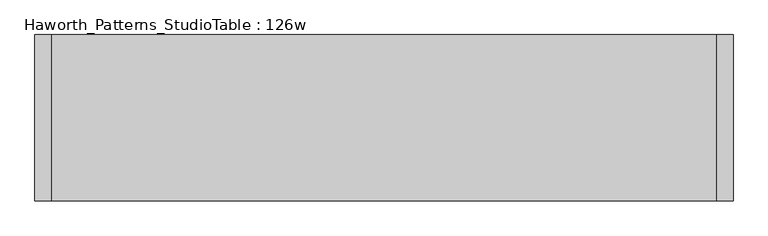
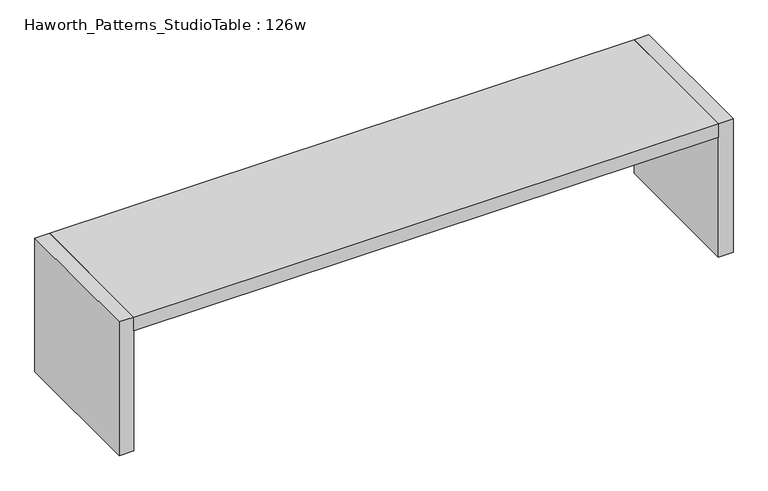
"""IFC4 building model written with IfcOpenShell, lengths in millimetres: furniture geometry, Haworth_Patterns_StudioTable : 126w."""

from ifc_helpers import new_model, si_unit, frame, origin, origin_with_axes, place, context, project, spatial, polyline, outline, extrude, source, transform, mapped, element, save


def haworth_patterns_studiotable_126w_2508c1f3(model_context):
    return source(origin(), model_context, "Body", "SweptSolid", [
        extrude(outline(polyline([(1524.0, 0.0), (1524.0, -762.0), (-1524.0, -762.0), (-1524.0, 0.0), (1524.0, 0.0)])), frame((0.0, 0.0, 660.4), z_axis=(0.0, 0.0, 1.0), x_axis=(1.0, 0.0, 0.0)), (0.0, 0.0, 1.0), 76.2),
        extrude(outline(polyline([(1524.0, 0.0), (1600.2, 0.0), (1600.2, -762.0), (1524.0, -762.0), (1524.0, 0.0)])), origin_with_axes(), (0.0, 0.0, 1.0), 736.6),
        extrude(outline(polyline([(-1524.0, 0.0), (-1524.0, -762.0), (-1600.2, -762.0), (-1600.2, 0.0), (-1524.0, 0.0)])), origin_with_axes(), (0.0, 0.0, 1.0), 736.6),
    ])


if __name__ == "__main__":
    model = new_model("IFC4")
    model_context = context("Model", 3, world=origin())
    ifc_project = project(units=[si_unit("LENGTHUNIT", "METRE", prefix="MILLI")], contexts=[model_context])
    site = spatial("IfcSite", under=ifc_project)
    building = spatial("IfcBuilding", under=site)
    placement = place(None, origin())
    haworth_patterns_studiotable_126w_shape = haworth_patterns_studiotable_126w_2508c1f3(model_context)
    element("IfcFurniture", 1, ObjectType="Haworth_Patterns_StudioTable : 126w", at=placement, inside=building, context=model_context, shape_type="MappedRepresentation", body=[
        mapped(haworth_patterns_studiotable_126w_shape, transform((0.0, 0.0, 0.0), x_axis=(1.0, 0.0, 0.0), y_axis=(0.0, 1.0, 0.0), z_axis=(0.0, 0.0, 1.0))),
    ])
    save(model, "model.ifc")
